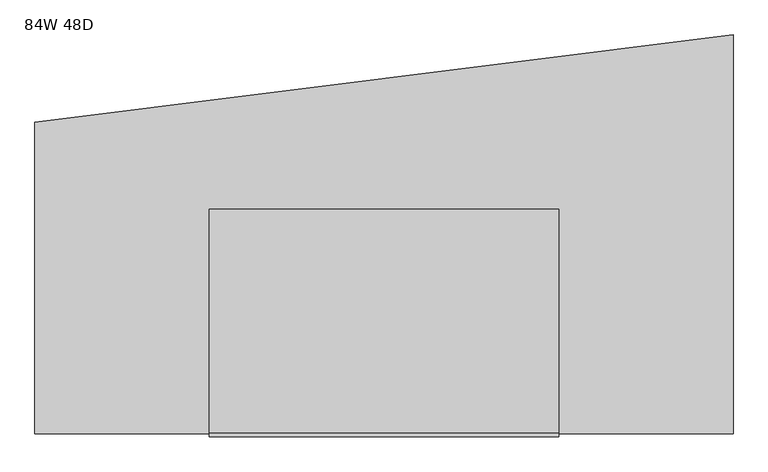
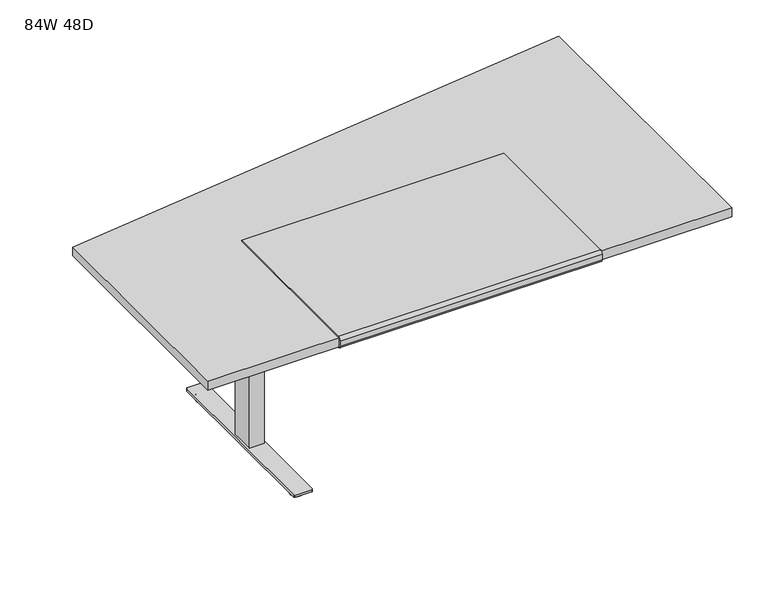
"""IFC4 building model written with IfcOpenShell, lengths in millimetres: furniture geometry, 84W 48D."""

from ifc_helpers import new_model, si_unit, point, frame, frame_2d, origin, origin_with_axes, place, context, project, spatial, polyline, circle_curve, trimmed, segment, composite_curve, outline, extrude, source, transform, mapped, element, save


def furniture_84w_48d_db38360a(model_context):
    return source(origin(), model_context, "Body", "SweptSolid", [
        extrude(outline(composite_curve([segment(polyline([(-1228.5981828, 711.2566341), (-1228.5981828, 706.2597008)]), True, "CONTINUOUS"), segment(trimmed(circle_curve(frame_2d((-1228.5981828, 718.9597008)), 12.7), [point((-1228.5981828, 706.2597008))], [point((-1241.2981828, 718.9597008))], False, "CARTESIAN"), True, "CONTINUOUS"), segment(polyline([(-1241.2981828, 718.9597008), (-1241.2981828, 741.3625)]), True, "CONTINUOUS"), segment(trimmed(circle_curve(frame_2d((-1228.5981828, 741.3625)), 12.7), [point((-1241.2981828, 741.3625))], [point((-1228.5981828, 754.0625))], False, "CARTESIAN"), True, "CONTINUOUS"), segment(polyline([(-1228.5981828, 754.0625), (-545.9731828, 754.0625), (-545.9731828, 749.3), (-1228.4350132, 749.3)]), True, "CONTINUOUS"), segment(trimmed(circle_curve(frame_2d((-1228.4350132, 741.3625)), 7.9375), [point((-1228.4350132, 749.3))], [point((-1236.3725132, 741.3625))], True, "CARTESIAN"), True, "CONTINUOUS"), segment(polyline([(-1236.3725132, 741.3625), (-1236.3725132, 717.6066341)]), True, "CONTINUOUS"), segment(trimmed(circle_curve(frame_2d((-1230.0225132, 717.6066341)), 6.35), [point((-1236.3725132, 717.6066341))], [point((-1230.0225132, 711.2566341))], True, "CARTESIAN"), True, "CONTINUOUS"), segment(polyline([(-1230.0225132, 711.2566341), (-1228.5981828, 711.2566341)]), True, "CONTINUOUS")], self_intersect=False)), frame((-546.1, 0.0, 0.0), z_axis=(1.0, 0.0, 0.0), x_axis=(0.0, 1.0, 0.0)), (0.0, 0.0, 1.0), 1066.8),
        extrude(outline(polyline([(-984.25, 692.15), (-984.25, 711.2), (-463.55, 711.2), (-463.55, 692.15), (-665.1625, 635.0), (-782.6375, 635.0), (-984.25, 692.15)])), frame((-656.43125, 0.0, 0.0), z_axis=(1.0, 0.0, 0.0), x_axis=(0.0, 1.0, 0.0)), (0.0, 0.0, 1.0), 2.38125),
        extrude(outline(polyline([(-465.93125, -665.1625), (-465.93125, -782.6375), (-654.05, -782.6375), (-654.05, -665.1625), (-465.93125, -665.1625)])), frame((0.0, 0.0, 655.6375), z_axis=(0.0, 0.0, 1.0), x_axis=(1.0, 0.0, 0.0)), (0.0, 0.0, 1.0), 55.5625),
        extrude(outline(polyline([(-590.55, -679.45), (-590.55, -768.35), (-641.35, -768.35), (-641.35, -679.45), (-590.55, -679.45)])), frame((0.0, 0.0, 654.05), z_axis=(0.0, 0.0, 1.0), x_axis=(1.0, 0.0, 0.0)), (0.0, 0.0, 1.0), 1.5875),
        extrude(outline(polyline([(-585.9859375, -673.89375), (-585.9859375, -773.90625), (-645.9140625, -773.90625), (-645.9140625, -673.89375), (-585.9859375, -673.89375)])), frame((0.0, 0.0, 31.75), z_axis=(0.0, 0.0, 1.0), x_axis=(1.0, 0.0, 0.0)), (0.0, 0.0, 1.0), 622.3),
        extrude(outline(composite_curve([segment(trimmed(circle_curve(frame_2d((-615.95, -1054.1)), 25.4), [point((-641.35, -1054.1))], [point((-590.55, -1054.1))], False, "CARTESIAN"), True, "CONTINUOUS"), segment(trimmed(circle_curve(frame_2d((-615.95, -1054.1)), 25.4), [point((-590.55, -1054.1))], [point((-641.35, -1054.1))], False, "CARTESIAN"), True, "CONTINUOUS")], self_intersect=False)), origin_with_axes(), (0.0, 0.0, 1.0), 9.525),
        extrude(outline(composite_curve([segment(trimmed(circle_curve(frame_2d((-615.95, -393.7)), 25.4), [point((-641.35, -393.7))], [point((-590.55, -393.7))], False, "CARTESIAN"), True, "CONTINUOUS"), segment(trimmed(circle_curve(frame_2d((-615.95, -393.7)), 25.4), [point((-590.55, -393.7))], [point((-641.35, -393.7))], False, "CARTESIAN"), True, "CONTINUOUS")], self_intersect=False)), origin_with_axes(), (0.0, 0.0, 1.0), 9.525),
        extrude(outline(composite_curve([segment(polyline([(-641.35, -1054.1), (-641.35, -393.7)]), True, "CONTINUOUS"), segment(trimmed(circle_curve(frame_2d((-615.95, -393.7)), 25.4), [point((-641.35, -393.7))], [point((-615.95, -368.3))], False, "CARTESIAN"), True, "CONTINUOUS"), segment(trimmed(circle_curve(frame_2d((-615.95, -393.7)), 25.4), [point((-615.95, -368.3))], [point((-590.55, -393.7))], False, "CARTESIAN"), True, "CONTINUOUS"), segment(polyline([(-590.55, -393.7), (-590.55, -1054.1)]), True, "CONTINUOUS"), segment(trimmed(circle_curve(frame_2d((-615.95, -1054.1)), 25.4), [point((-590.55, -1054.1))], [point((-615.95, -1079.5))], False, "CARTESIAN"), True, "CONTINUOUS"), segment(trimmed(circle_curve(frame_2d((-615.95, -1054.1)), 25.4), [point((-615.95, -1079.5))], [point((-641.35, -1054.1))], False, "CARTESIAN"), True, "CONTINUOUS")], self_intersect=False)), frame((0.0, 0.0, 9.525), z_axis=(0.0, 0.0, 1.0), x_axis=(1.0, 0.0, 0.0)), (0.0, 0.0, 1.0), 12.7),
        extrude(outline(composite_curve([segment(trimmed(circle_curve(frame_2d((-582.6125, -347.6625)), 4.7625), [point((-582.6125, -342.9))], [point((-577.85, -347.6625))], False, "CARTESIAN"), True, "CONTINUOUS"), segment(polyline([(-577.85, -347.6625), (-577.85, -1100.1375)]), True, "CONTINUOUS"), segment(trimmed(circle_curve(frame_2d((-582.6125, -1100.1375)), 4.7625), [point((-577.85, -1100.1375))], [point((-582.6125, -1104.9))], False, "CARTESIAN"), True, "CONTINUOUS"), segment(polyline([(-582.6125, -1104.9), (-649.2875, -1104.9)]), True, "CONTINUOUS"), segment(trimmed(circle_curve(frame_2d((-649.2875, -1100.1375)), 4.7625), [point((-649.2875, -1104.9))], [point((-654.05, -1100.1375))], False, "CARTESIAN"), True, "CONTINUOUS"), segment(polyline([(-654.05, -1100.1375), (-654.05, -347.6625)]), True, "CONTINUOUS"), segment(trimmed(circle_curve(frame_2d((-649.2875, -347.6625)), 4.7625), [point((-654.05, -347.6625))], [point((-649.2875, -342.9))], False, "CARTESIAN"), True, "CONTINUOUS"), segment(polyline([(-649.2875, -342.9), (-582.6125, -342.9)]), True, "CONTINUOUS")], self_intersect=False)), frame((0.0, 0.0, 22.225), z_axis=(0.0, 0.0, 1.0), x_axis=(1.0, 0.0, 0.0)), (0.0, 0.0, 1.0), 9.525),
        extrude(outline(polyline([(822.325, -368.3), (822.325, -876.3), (746.125, -876.3), (746.125, -368.3), (822.325, -368.3)])), frame((0.0, 0.0, 590.55), z_axis=(0.0, 0.0, 1.0), x_axis=(1.0, 0.0, 0.0)), (0.0, 0.0, 1.0), 120.65),
        extrude(outline(polyline([(-1079.5, -279.4), (1054.1, -12.7), (1054.1, -1231.9), (-1079.5, -1231.9), (-1079.5, -279.4)])), frame((0.0, 0.0, 711.2), z_axis=(0.0, 0.0, 1.0), x_axis=(1.0, 0.0, 0.0)), (0.0, 0.0, 1.0), 38.1),
    ])


if __name__ == "__main__":
    model = new_model("IFC4")
    model_context = context("Model", 3, world=origin())
    ifc_project = project(units=[si_unit("LENGTHUNIT", "METRE", prefix="MILLI")], contexts=[model_context])
    site = spatial("IfcSite", under=ifc_project)
    building = spatial("IfcBuilding", under=site)
    placement = place(None, origin())
    furniture_84w_48d_shape = furniture_84w_48d_db38360a(model_context)
    element("IfcFurniture", 1, ObjectType="84W 48D", at=placement, inside=building, context=model_context, shape_type="MappedRepresentation", body=[
        mapped(furniture_84w_48d_shape, transform((0.0, 0.0, 0.0), x_axis=(1.0, 0.0, 0.0), y_axis=(0.0, 1.0, 0.0), z_axis=(0.0, 0.0, 1.0))),
    ])
    save(model, "model.ifc")
